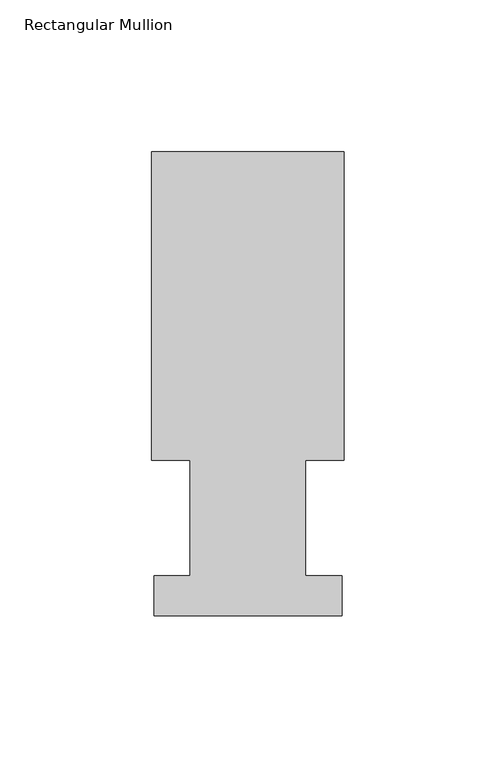
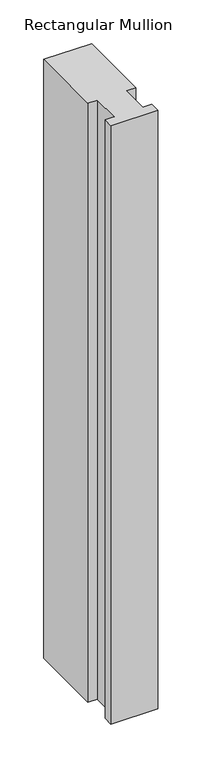
"""IFC4 building model written with IfcOpenShell, lengths in millimetres: member geometry, Rectangular Mullion."""

from ifc_helpers import new_model, si_unit, frame, origin, place, context, project, spatial, polyline, outline, extrude, source, transform, mapped, element, save


def rectangular_mullion_7d08885d(model_context):
    return source(origin(), model_context, "Body", "SweptSolid", [
        extrude(outline(polyline([(-31.7499997, 152.8960948), (31.7500003, 152.8960948), (31.7500003, 51.2960937), (19.0499997, 51.2960937), (19.0499997, 13.1960948), (30.9626006, 13.1960948), (30.9626006, 0.0084148), (-30.9626003, 0.0084148), (-30.9626003, 13.1960948), (-19.0499991, 13.1960948), (-19.0499991, 51.2960937), (-31.7499997, 51.2960937), (-31.7499997, 152.8960948)])), frame((0.0, 0.0, -838.2000003), z_axis=(0.0, 0.0, 1.0), x_axis=(1.0, 0.0, 0.0)), (0.0, 0.0, 1.0), 838.2000003),
    ])


if __name__ == "__main__":
    model = new_model("IFC4")
    model_context = context("Model", 3, world=origin())
    ifc_project = project(units=[si_unit("LENGTHUNIT", "METRE", prefix="MILLI")], contexts=[model_context])
    site = spatial("IfcSite", under=ifc_project)
    building = spatial("IfcBuilding", under=site)
    placement = place(None, origin())
    rectangular_mullion_shape = rectangular_mullion_7d08885d(model_context)
    element("IfcMember", 1, ObjectType="Rectangular Mullion", at=placement, inside=building, context=model_context, shape_type="MappedRepresentation", body=[
        mapped(rectangular_mullion_shape, transform((0.0, 0.0, 0.0), x_axis=(1.0, 0.0, 0.0), y_axis=(0.0, 1.0, 0.0), z_axis=(0.0, 0.0, 1.0))),
    ])
    save(model, "model.ifc")
